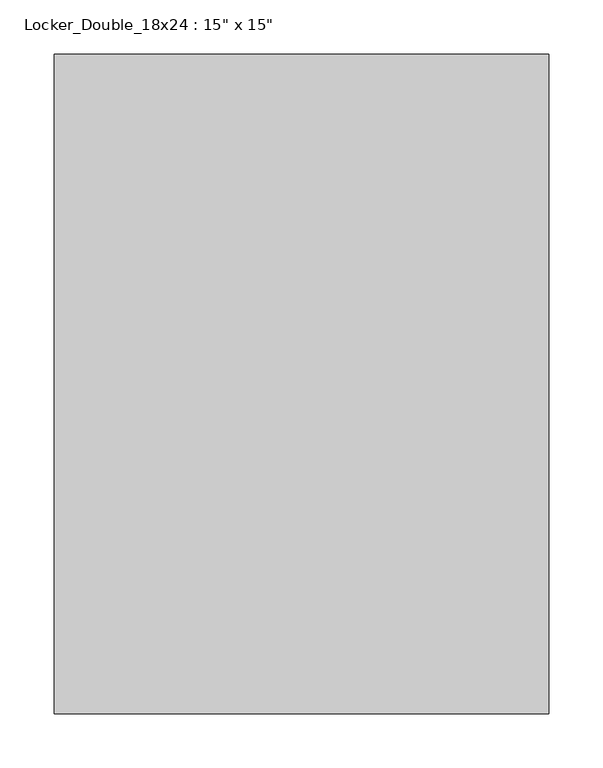
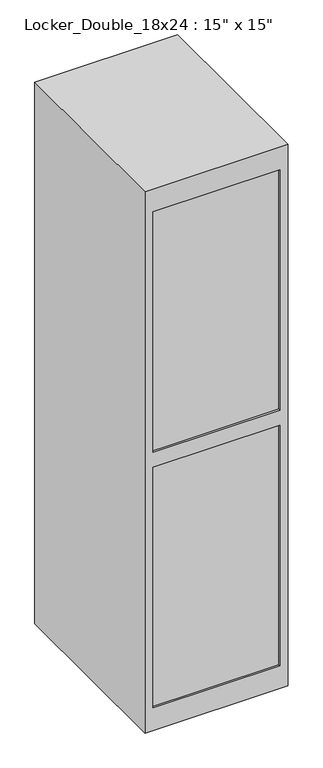
"""IFC4 building model written with IfcOpenShell, lengths in millimetres: furniture geometry."""

from ifc_helpers import new_model, si_unit, origin, place, context, project, spatial, faceted_brep, source, transform, mapped, element, save


def furniture_1542983d(model_context):
    return source(origin(), model_context, "Body", "Brep", [
        faceted_brep([(228.6, -304.8, 1828.8), (228.6, 304.8, 1828.8), (-228.6, 304.8, 1828.8), (-228.6, -304.8, 1828.8), (228.6, -304.8, 0.0), (-228.6, -304.8, 0.0), (-228.6, 304.8, 0.0), (228.6, 304.8, 0.0), (203.2, -304.8, 889.0), (203.2, -304.8, 76.2), (-203.2, -304.8, 76.2), (-203.2, -304.8, 889.0), (-203.2, -304.8, 1752.6), (203.2, -304.8, 1752.6), (203.2, -304.8, 939.8), (-203.2, -304.8, 939.8), (203.2, -298.45, 76.2), (203.2, -298.45, 889.0), (-203.2, -298.45, 889.0), (-203.2, -298.45, 76.2), (203.2, -298.45, 1752.6), (-203.2, -298.45, 1752.6), (-203.2, -298.45, 939.8), (203.2, -298.45, 939.8)], [[[0, 1, 2, 3]], [[4, 5, 6, 7]], [[1, 0, 4, 7]], [[2, 1, 7, 6]], [[3, 2, 6, 5]], [[0, 3, 5, 4], [8, 9, 10, 11], [12, 13, 14, 15]], [[16, 17, 18, 19]], [[17, 16, 9, 8]], [[18, 17, 8, 11]], [[19, 18, 11, 10]], [[16, 19, 10, 9]], [[20, 21, 22, 23]], [[21, 20, 13, 12]], [[22, 21, 12, 15]], [[23, 22, 15, 14]], [[20, 23, 14, 13]]]),
    ])


if __name__ == "__main__":
    model = new_model("IFC4")
    model_context = context("Model", 3, world=origin())
    ifc_project = project(units=[si_unit("LENGTHUNIT", "METRE", prefix="MILLI")], contexts=[model_context])
    site = spatial("IfcSite", under=ifc_project)
    building = spatial("IfcBuilding", under=site)
    placement = place(None, origin())
    furniture_shape = furniture_1542983d(model_context)
    element("IfcFurniture", 1, ObjectType="Locker_Double_18x24 : 15\" x 15\"", at=placement, inside=building, context=model_context, shape_type="MappedRepresentation", body=[
        mapped(furniture_shape, transform((0.0, 0.0, 0.0), x_axis=(1.0, 0.0, 0.0), y_axis=(0.0, 1.0, 0.0), z_axis=(0.0, 0.0, 1.0))),
    ])
    save(model, "model.ifc")
